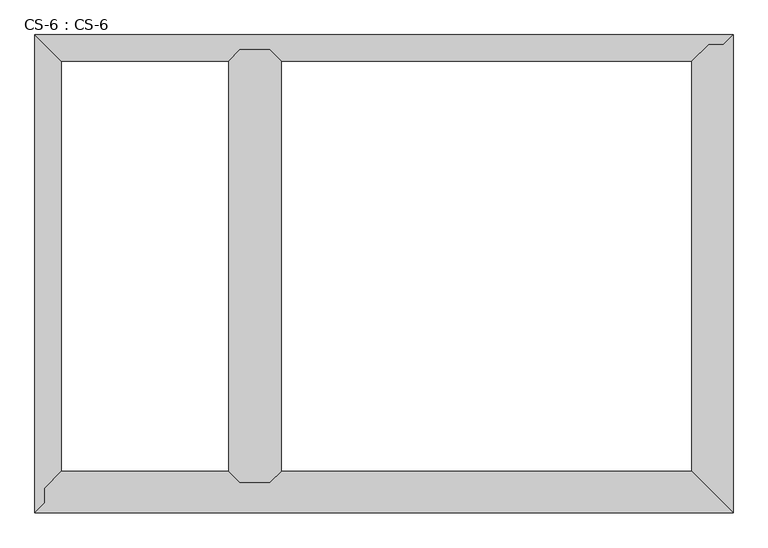
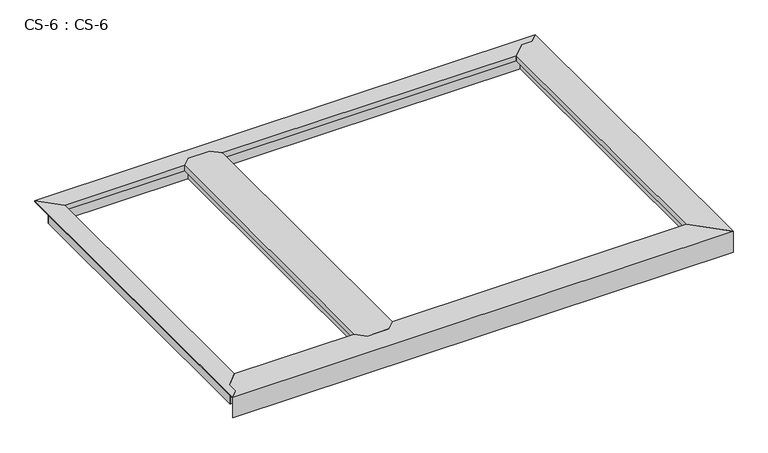
"""IFC4 building model written with IfcOpenShell, lengths in millimetres: proxy geometry, CS-6 : CS-6."""

from ifc_helpers import new_model, si_unit, origin, place, context, project, spatial, faceted_brep, source, transform, mapped, element, save


def cs_6_cs_6_bcb51e1c(model_context):
    return source(origin(), model_context, "Body", "Brep", [
        faceted_brep([(515.62, 1016.0, 46.355), (515.62, 1016.0, 0.0), (508.635, 1016.0, 0.0), (508.635, 1016.0, 63.5), (456.565, 1016.0, 63.5), (456.565, 1016.0, 0.0), (449.58, 1016.0, 0.0), (449.58, 1016.0, 46.355), (449.58, 1016.0, 66.675), (515.62, 1016.0, 66.675), (449.58, 66.04, 46.355), (449.58, 66.04, 0.0), (456.565, 66.04, 0.0), (456.565, 66.04, 63.5), (508.635, 66.04, 63.5), (508.635, 66.04, 0.0), (515.62, 66.04, 0.0), (515.62, 66.04, 46.355), (515.62, 66.04, 66.675), (449.58, 66.04, 66.675), (424.942, 90.678, 66.675), (424.942, 991.362, 66.675), (424.942, 991.362, 49.8094), (424.942, 90.678, 49.8094), (426.466, 992.886, 49.8094), (426.466, 89.154, 49.8094), (426.466, 992.886, 64.643), (426.466, 89.154, 64.643), (436.753, 1003.173, 64.643), (436.753, 78.867, 64.643), (436.753, 1003.173, 46.355), (436.753, 78.867, 46.355), (528.447, 1003.173, 46.355), (528.447, 78.867, 46.355), (528.447, 1003.173, 64.643), (528.447, 78.867, 64.643), (538.734, 992.886, 64.643), (538.734, 89.154, 64.643), (538.734, 992.886, 49.8094), (538.734, 89.154, 49.8094), (540.258, 991.362, 49.8094), (540.258, 90.678, 49.8094), (540.258, 991.362, 66.675), (540.258, 90.678, 66.675)], [[[0, 1, 2, 3, 4, 5, 6, 7, 8, 9]], [[10, 11, 12, 13, 14, 15, 16, 17, 18, 19]], [[20, 21, 22, 23]], [[23, 22, 24, 25]], [[25, 24, 26, 27]], [[27, 26, 28, 29]], [[29, 28, 30, 31]], [[7, 10, 31, 30]], [[7, 6, 11, 10]], [[6, 5, 12, 11]], [[5, 4, 13, 12]], [[4, 3, 14, 13]], [[3, 2, 15, 14]], [[2, 1, 16, 15]], [[1, 0, 17, 16]], [[17, 0, 32, 33]], [[33, 32, 34, 35]], [[35, 34, 36, 37]], [[37, 36, 38, 39]], [[39, 38, 40, 41]], [[41, 40, 42, 43]], [[9, 8, 21, 20, 19, 18, 43, 42]], [[10, 19, 20, 23, 25, 27, 29, 31]], [[18, 17, 33, 35, 37, 39, 41, 43]], [[0, 9, 42, 40, 38, 36, 34, 32]], [[8, 7, 30, 28, 26, 24, 22, 21]]]),
        faceted_brep([(1531.62, 0.0, 0.0), (0.0, 0.0, 0.0), (6.985, 6.985, 0.0), (1524.635, 6.985, 0.0), (1524.635, 6.985, 63.5), (6.985, 6.985, 63.5), (1472.565, 59.055, 63.5), (21.59, 21.59, 63.5), (21.59, 53.34, 63.5), (27.1106122, 59.055, 63.5), (1472.565, 59.055, 0.0), (27.1106122, 59.055, 0.0), (33.8580272, 66.04, 0.0), (1465.58, 66.04, 0.0), (1465.58, 66.04, 46.355), (33.8580272, 66.04, 46.355), (449.58, 66.04, 46.355), (449.58, 66.04, 66.675), (515.62, 66.04, 66.675), (515.62, 66.04, 46.355), (1452.753, 78.867, 46.355), (528.447, 78.867, 46.355), (46.2487347, 78.867, 46.355), (436.753, 78.867, 46.355), (1452.753, 78.867, 63.5), (528.447, 78.867, 63.5), (46.2487347, 78.867, 63.5), (436.753, 78.867, 63.5), (1442.466, 89.154, 63.5), (538.734, 89.154, 63.5), (56.1858367, 89.154, 63.5), (426.466, 89.154, 63.5), (1442.466, 89.154, 49.8094), (538.734, 89.154, 49.8094), (56.1858367, 89.154, 49.8094), (426.466, 89.154, 49.8094), (1440.942, 90.678, 49.8094), (540.258, 90.678, 49.8094), (57.658, 90.678, 49.8094), (424.942, 90.678, 49.8094), (1440.942, 90.678, 66.675), (540.258, 90.678, 66.675), (57.658, 90.678, 66.675), (424.942, 90.678, 66.675), (0.0, 0.0, 66.675), (1531.62, 0.0, 66.675), (21.59, 53.34, 66.675), (21.59, 21.59, 66.675)], [[[0, 1, 2, 3]], [[4, 3, 2, 5]], [[6, 4, 5, 7, 8, 9]], [[10, 6, 9, 11]], [[12, 13, 10, 11]], [[14, 13, 12, 15, 16, 17, 18, 19]], [[20, 14, 19, 21]], [[15, 22, 23, 16]], [[24, 20, 21, 25]], [[22, 26, 27, 23]], [[28, 24, 25, 29]], [[26, 30, 31, 27]], [[32, 28, 29, 33]], [[30, 34, 35, 31]], [[36, 32, 33, 37]], [[34, 38, 39, 35]], [[40, 36, 37, 41]], [[38, 42, 43, 39]], [[44, 45, 40, 41, 18, 17, 43, 42, 46, 47]], [[1, 0, 45, 44]], [[0, 3, 4, 6, 10, 13, 14, 20, 24, 28, 32, 36, 40, 45]], [[7, 47, 46, 8]], [[8, 46, 42, 38, 34, 30, 26, 22, 15, 12, 11, 9]], [[47, 7, 5, 2, 1, 44]], [[17, 16, 23, 27, 31, 35, 39, 43]], [[19, 18, 41, 37, 33, 29, 25, 21]]]),
        faceted_brep([(1531.62, 1049.02, 0.0), (1531.62, 0.0, 0.0), (1524.635, 6.985, 0.0), (1524.635, 1042.035, 0.0), (1524.635, 1042.035, 63.5), (1524.635, 6.985, 63.5), (1510.03, 1027.43, 63.5), (1472.565, 59.055, 63.5), (1472.565, 1021.9093878, 63.5), (1478.28, 1027.43, 63.5), (1472.565, 1021.9093878, 0.0), (1472.565, 59.055, 0.0), (1465.58, 1015.1619728, 0.0), (1465.58, 66.04, 0.0), (1465.58, 1015.1619728, 46.355), (1465.58, 66.04, 46.355), (1452.753, 1002.7712653, 46.355), (1452.753, 78.867, 46.355), (1452.753, 1002.7712653, 63.5), (1452.753, 78.867, 63.5), (1442.466, 992.8341633, 63.5), (1442.466, 89.154, 63.5), (1442.466, 992.8341633, 49.8094), (1442.466, 89.154, 49.8094), (1440.942, 991.362, 49.8094), (1440.942, 90.678, 49.8094), (1440.942, 991.362, 66.675), (1440.942, 90.678, 66.675), (1531.62, 0.0, 66.675), (1531.62, 1049.02, 66.675), (1510.03, 1027.43, 66.675), (1478.28, 1027.43, 66.675)], [[[0, 1, 2, 3]], [[4, 3, 2, 5]], [[6, 4, 5, 7, 8, 9]], [[10, 8, 7, 11]], [[12, 10, 11, 13]], [[14, 12, 13, 15]], [[16, 14, 15, 17]], [[18, 16, 17, 19]], [[20, 18, 19, 21]], [[22, 20, 21, 23]], [[24, 22, 23, 25]], [[26, 24, 25, 27]], [[28, 29, 30, 31, 26, 27]], [[1, 0, 29, 28]], [[6, 30, 29, 0, 3, 4]], [[31, 9, 8, 10, 12, 14, 16, 18, 20, 22, 24, 26]], [[30, 6, 9, 31]], [[2, 1, 28, 27, 25, 23, 21, 19, 17, 15, 13, 11, 7, 5]]]),
        faceted_brep([(1531.62, 1049.02, 66.675), (0.0, 1049.02, 66.675), (57.658, 991.362, 66.675), (424.942, 991.362, 66.675), (449.58, 1016.0, 66.675), (515.62, 1016.0, 66.675), (540.258, 991.362, 66.675), (1440.942, 991.362, 66.675), (1478.28, 1027.43, 66.675), (1510.03, 1027.43, 66.675), (1531.62, 1049.02, 63.5), (0.0, 1049.02, 63.5), (1510.03, 1027.43, 63.5), (1478.28, 1027.43, 63.5), (1473.6784859, 1022.985, 63.5), (26.035, 1022.985, 63.5), (26.035, 1022.985, 0.0), (1473.6784859, 1022.985, 0.0), (1466.4475352, 1016.0, 0.0), (33.02, 1016.0, 0.0), (33.02, 1016.0, 46.355), (1466.4475352, 1016.0, 46.355), (515.62, 1016.0, 46.355), (449.58, 1016.0, 46.355), (45.847, 1003.173, 46.355), (436.753, 1003.173, 46.355), (1453.1688803, 1003.173, 46.355), (528.447, 1003.173, 46.355), (45.847, 1003.173, 64.643), (436.753, 1003.173, 64.643), (1453.1688803, 1003.173, 64.643), (528.447, 1003.173, 64.643), (56.134, 992.886, 64.643), (426.466, 992.886, 64.643), (1442.519662, 992.886, 64.643), (538.734, 992.886, 64.643), (56.134, 992.886, 49.8094), (426.466, 992.886, 49.8094), (1442.519662, 992.886, 49.8094), (538.734, 992.886, 49.8094), (57.658, 991.362, 49.8094), (424.942, 991.362, 49.8094), (1440.942, 991.362, 49.8094), (540.258, 991.362, 49.8094)], [[[0, 1, 2, 3, 4, 5, 6, 7, 8, 9]], [[1, 0, 10, 11]], [[11, 10, 12, 13, 14, 15]], [[16, 15, 14, 17]], [[18, 19, 16, 17]], [[20, 19, 18, 21, 22, 5, 4, 23]], [[24, 20, 23, 25]], [[21, 26, 27, 22]], [[28, 24, 25, 29]], [[26, 30, 31, 27]], [[32, 28, 29, 33]], [[30, 34, 35, 31]], [[36, 32, 33, 37]], [[34, 38, 39, 35]], [[40, 36, 37, 41]], [[38, 42, 43, 39]], [[2, 40, 41, 3]], [[42, 7, 6, 43]], [[2, 1, 11, 15, 16, 19, 20, 24, 28, 32, 36, 40]], [[12, 9, 8, 13]], [[13, 8, 7, 42, 38, 34, 30, 26, 21, 18, 17, 14]], [[9, 12, 10, 0]], [[5, 22, 27, 31, 35, 39, 43, 6]], [[23, 4, 3, 41, 37, 33, 29, 25]]]),
        faceted_brep([(0.0, 1049.02, 66.675), (0.0, 0.0, 66.675), (21.59, 21.59, 66.675), (21.59, 53.34, 66.675), (57.658, 90.678, 66.675), (57.658, 991.362, 66.675), (0.0, 1049.02, 63.5), (0.0, 0.0, 63.5), (26.035, 1022.985, 63.5), (26.035, 57.9415141, 63.5), (21.59, 53.34, 63.5), (21.59, 21.59, 63.5), (26.035, 57.9415141, 0.0), (26.035, 1022.985, 0.0), (33.02, 65.1724648, 0.0), (33.02, 1016.0, 0.0), (33.02, 65.1724648, 46.355), (33.02, 1016.0, 46.355), (45.847, 78.4511197, 46.355), (45.847, 1003.173, 46.355), (45.847, 78.4511197, 64.643), (45.847, 1003.173, 64.643), (56.134, 89.100338, 64.643), (56.134, 992.886, 64.643), (56.134, 89.100338, 49.8094), (56.134, 992.886, 49.8094), (57.658, 90.678, 49.8094), (57.658, 991.362, 49.8094)], [[[0, 1, 2, 3, 4, 5]], [[1, 0, 6, 7]], [[7, 6, 8, 9, 10, 11]], [[12, 9, 8, 13]], [[14, 12, 13, 15]], [[16, 14, 15, 17]], [[18, 16, 17, 19]], [[20, 18, 19, 21]], [[22, 20, 21, 23]], [[24, 22, 23, 25]], [[26, 24, 25, 27]], [[4, 26, 27, 5]], [[11, 2, 1, 7]], [[3, 10, 9, 12, 14, 16, 18, 20, 22, 24, 26, 4]], [[2, 11, 10, 3]], [[0, 5, 27, 25, 23, 21, 19, 17, 15, 13, 8, 6]]]),
    ])


if __name__ == "__main__":
    model = new_model("IFC4")
    model_context = context("Model", 3, world=origin())
    ifc_project = project(units=[si_unit("LENGTHUNIT", "METRE", prefix="MILLI")], contexts=[model_context])
    site = spatial("IfcSite", under=ifc_project)
    building = spatial("IfcBuilding", under=site)
    placement = place(None, origin())
    cs_6_cs_6_shape = cs_6_cs_6_bcb51e1c(model_context)
    element("IfcBuildingElementProxy", 1, Name="CS-6 : CS-6", ObjectType="CS-6 : CS-6", at=placement, inside=building, context=model_context, shape_type="MappedRepresentation", body=[
        mapped(cs_6_cs_6_shape, transform((0.0, 0.0, 0.0), x_axis=(1.0, 0.0, 0.0), y_axis=(0.0, 1.0, 0.0), z_axis=(0.0, 0.0, 1.0))),
    ])
    save(model, "model.ifc")
